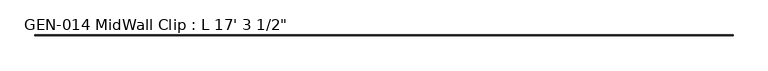
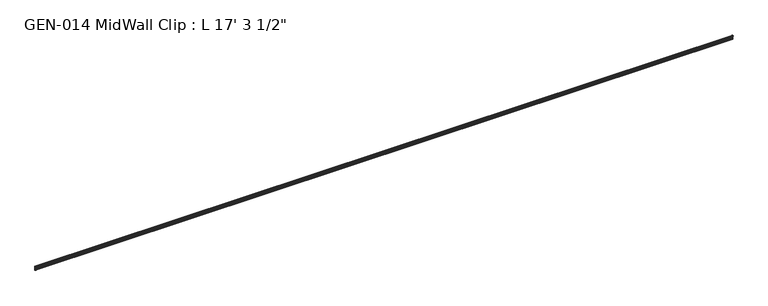
"""IFC4 building model written with IfcOpenShell, lengths in millimetres: proxy geometry."""

from ifc_helpers import new_model, si_unit, point, frame, frame_2d, origin, place, context, project, spatial, polyline, circle_curve, trimmed, segment, composite_curve, outline, extrude, source, transform, mapped, element, save


def proxy_4d599a8f(model_context):
    return source(origin(), model_context, "Body", "SweptSolid", [
        extrude(outline(composite_curve([segment(polyline([(2.1386113, 32.1158903), (3.9735584, 32.6885982)]), True, "CONTINUOUS"), segment(trimmed(circle_curve(frame_2d((4.1838513, 32.2686835)), 0.4696291), [point((3.9735584, 32.6885982))], [point((4.6534804, 32.2686835))], False, "CARTESIAN"), True, "CONTINUOUS"), segment(polyline([(4.6534804, 32.2686835), (4.6534804, 30.7270734)]), True, "CONTINUOUS"), segment(trimmed(circle_curve(frame_2d((6.2409804, 30.7270734)), 1.5875), [point((4.6534804, 30.7270734))], [point((6.2409804, 29.1395734))], True, "CARTESIAN"), True, "CONTINUOUS"), segment(polyline([(6.2409804, 29.1395734), (7.5485426, 29.1395734), (7.5485426, 0.0), (4.055874, 0.0), (4.055874, 1.6102595)]), True, "CONTINUOUS"), segment(trimmed(circle_curve(frame_2d((4.0560426, 3.5152595)), 1.905), [point((4.055874, 1.6102595))], [point((5.9610426, 3.5152595))], True, "CARTESIAN"), True, "CONTINUOUS"), segment(polyline([(5.9610426, 3.5152595), (5.9610426, 4.6343152), (5.9610426, 12.4909614), (6.4702065, 13.408381), (6.4702065, 14.7485418), (5.9610426, 15.6659614), (5.9610426, 26.8535734)]), True, "CONTINUOUS"), segment(trimmed(circle_curve(frame_2d((5.4530426, 26.8535734)), 0.508), [point((5.9610426, 26.8535734))], [point((5.4361592, 27.3612928))], True, "CARTESIAN"), True, "CONTINUOUS"), segment(trimmed(circle_curve(frame_2d((5.4154804, 26.5995734)), 0.762), [point((5.4361592, 27.3612928))], [point((4.6764599, 26.4138515))], True, "CARTESIAN"), True, "CONTINUOUS"), segment(trimmed(circle_curve(frame_2d((4.1230664, 26.2747792)), 0.5706009), [point((4.6764599, 26.4138515))], [point((3.9349539, 25.7360779))], False, "CARTESIAN"), True, "CONTINUOUS"), segment(polyline([(3.9349539, 25.7360779), (2.1386113, 26.2967369)]), True, "CONTINUOUS"), segment(trimmed(circle_curve(frame_2d((3.0467234, 29.2063136)), 3.048), [point((2.1386113, 26.2967369))], [point((0.4447727, 30.7938136))], False, "CARTESIAN"), True, "CONTINUOUS"), segment(trimmed(circle_curve(frame_2d((3.0467234, 29.2063136)), 3.048), [point((0.4447727, 30.7938136))], [point((2.1386113, 32.1158903))], False, "CARTESIAN"), True, "CONTINUOUS")], self_intersect=False)), frame((-4965.7, 0.0, 0.0), z_axis=(1.0, 0.0, 0.0), x_axis=(0.0, 1.0, 0.0)), (0.0, 0.0, 1.0), 5270.5),
    ])


if __name__ == "__main__":
    model = new_model("IFC4")
    model_context = context("Model", 3, world=origin())
    ifc_project = project(units=[si_unit("LENGTHUNIT", "METRE", prefix="MILLI")], contexts=[model_context])
    site = spatial("IfcSite", under=ifc_project)
    building = spatial("IfcBuilding", under=site)
    placement = place(None, origin())
    proxy_shape = proxy_4d599a8f(model_context)
    element("IfcBuildingElementProxy", 1, Name="GEN-014 MidWall Clip : L 17' 3 1/2\"", ObjectType="GEN-014 MidWall Clip : L 17' 3 1/2\"", at=placement, inside=building, context=model_context, shape_type="MappedRepresentation", body=[
        mapped(proxy_shape, transform((0.0, 0.0, 0.0), x_axis=(1.0, 0.0, 0.0), y_axis=(0.0, 1.0, 0.0), z_axis=(0.0, 0.0, 1.0))),
    ])
    save(model, "model.ifc")
